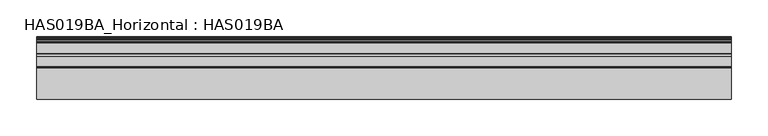
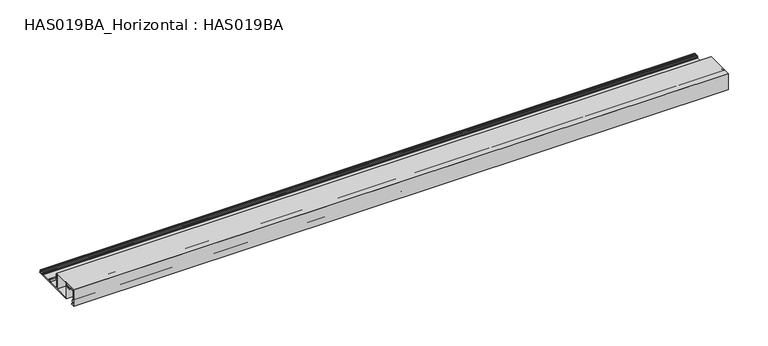
"""IFC4 building model written with IfcOpenShell, lengths in millimetres: beam geometry, HAS019BA_Horizontal : HAS019BA."""

import ifcopenshell
import ifcopenshell.guid

model = None  # the IFC model being written
_history = None  # IfcOwnerHistory: only IFC2X3 demands one
_inside = {}  # id of a spatial element -> (the spatial element, [elements in it])
_under = {}  # id of a project, library or spatial element -> (it, [spatial elements below it])
_declared = {}  # id of a project -> (the project, [libraries it declares])
_typed = {}  # id of a type object -> (the type object, [elements of that type])
_made_of = {}  # id of a material, layer set ... -> (it, [elements and type objects made of it])


def new_model(schema):
    """Start an empty IFC model of exactly this schema.

    Asked for "IFC4X3", IfcOpenShell would pick the latest addendum, in which some entities
    have other attributes; the version numbers below select the first issue.
    IFC2X3 requires an IfcOwnerHistory on every rooted entity: one is made here for all.
    """
    global model, _history
    if schema == "IFC4X3":
        model = ifcopenshell.file(schema_version=(4, 3, 0, 0))
    else:
        model = ifcopenshell.file(schema=schema)
    _inside.clear()
    _under.clear()
    _declared.clear()
    _typed.clear()
    _made_of.clear()
    _history = None
    if model.schema == "IFC2X3":
        org = make("IfcOrganization", Name="unknown")
        user = make(
            "IfcPersonAndOrganization",
            ThePerson=make("IfcPerson", FamilyName="unknown"),
            TheOrganization=org,
        )
        app = make(
            "IfcApplication",
            ApplicationDeveloper=org,
            Version="unknown",
            ApplicationFullName="unknown",
            ApplicationIdentifier="unknown",
        )
        _history = make(
            "IfcOwnerHistory",
            OwningUser=user,
            OwningApplication=app,
            ChangeAction="ADDED",
            CreationDate=0,
        )
    return model


def make(cls, **values):
    """One entity of the class cls with the attributes given. An attribute that is None is left unset."""
    return model.create_entity(
        cls, **{name: value for name, value in values.items() if value is not None}
    )


def rooted(cls, **values):
    """An entity with a GlobalId (a new one), such as an element, a storey or a relation."""
    return make(cls, GlobalId=ifcopenshell.guid.new(), OwnerHistory=_history, **values)


def si_unit(unit_type, name, prefix=None):
    """IfcSIUnit, for example si_unit("LENGTHUNIT", "METRE", prefix="MILLI")."""
    return make("IfcSIUnit", UnitType=unit_type, Prefix=prefix, Name=name)


def assignment(units):
    """IfcUnitAssignment: the units of a project."""
    return None if units is None else make("IfcUnitAssignment", Units=units)


def point(xyz):
    """IfcCartesianPoint."""
    return None if xyz is None else make("IfcCartesianPoint", Coordinates=xyz)


def direction(xyz):
    """IfcDirection."""
    return None if xyz is None else make("IfcDirection", DirectionRatios=xyz)


def frame(location, z_axis=None, x_axis=None):
    """IfcAxis2Placement3D, a coordinate frame: its origin and axes. An axis left out is left unset."""
    return make(
        "IfcAxis2Placement3D",
        Location=point(location),
        Axis=direction(z_axis),
        RefDirection=direction(x_axis),
    )


def frame_2d(location, x_axis=None):
    """IfcAxis2Placement2D, a coordinate frame in the plane: its origin and x axis."""
    return make(
        "IfcAxis2Placement2D", Location=point(location), RefDirection=direction(x_axis)
    )


def origin():
    """The frame at (0, 0, 0) with its axes left unset."""
    return frame((0.0, 0.0, 0.0))


def place(relative_to, where):
    """IfcLocalPlacement: puts the frame where relative to a parent placement (None: the world)."""
    return make(
        "IfcLocalPlacement", PlacementRelTo=relative_to, RelativePlacement=where
    )


def context(
    kind, dimensions, precision=None, world=None, true_north=None, identifier=None
):
    """IfcGeometricRepresentationContext, for example the 3D "Model" context."""
    return make(
        "IfcGeometricRepresentationContext",
        ContextIdentifier=identifier,
        ContextType=kind,
        CoordinateSpaceDimension=dimensions,
        Precision=precision,
        WorldCoordinateSystem=world,
        TrueNorth=true_north,
    )


def project(units=None, contexts=None):
    """IfcProject with its units and contexts."""
    return rooted(
        "IfcProject",
        Name="project",
        RepresentationContexts=contexts,
        UnitsInContext=assignment(units),
    )


def spatial(cls, under=None, at=None, **own):
    """A site, building, storey or space (cls), placed at a placement, below another one or the project."""
    s = rooted(cls, ObjectPlacement=at, **own)
    if under is not None:
        _under.setdefault(under.id(), (under, []))[1].append(s)
    return s


def polyline(points):
    """IfcPolyline through the points."""
    return make("IfcPolyline", Points=[point(p) for p in points])


def circle_curve(where, radius):
    """IfcCircle in the frame where."""
    return make("IfcCircle", Position=where, Radius=radius)


def trimmed(basis, trim1, trim2, sense, master):
    """IfcTrimmedCurve: the piece of a basis curve between two trims."""
    return make(
        "IfcTrimmedCurve",
        BasisCurve=basis,
        Trim1=trim1,
        Trim2=trim2,
        SenseAgreement=sense,
        MasterRepresentation=master,
    )


def segment(curve, same_sense, transition):
    """IfcCompositeCurveSegment."""
    return make(
        "IfcCompositeCurveSegment",
        Transition=transition,
        SameSense=same_sense,
        ParentCurve=curve,
    )


def composite_curve(segments, self_intersect=None):
    """IfcCompositeCurve: segments joined end to end."""
    return make("IfcCompositeCurve", Segments=segments, SelfIntersect=self_intersect)


def outline(outer, holes=None, kind="AREA"):
    """IfcArbitraryClosedProfileDef: a profile drawn as a closed curve; with holes, ...WithVoids."""
    if holes is None:
        return make("IfcArbitraryClosedProfileDef", ProfileType=kind, OuterCurve=outer)
    return make(
        "IfcArbitraryProfileDefWithVoids",
        ProfileType=kind,
        OuterCurve=outer,
        InnerCurves=holes,
    )


def extrude(swept, where, along, depth):
    """IfcExtrudedAreaSolid: the profile swept, set in the frame where, extruded along a direction by depth."""
    return make(
        "IfcExtrudedAreaSolid",
        SweptArea=swept,
        Position=where,
        ExtrudedDirection=direction(along),
        Depth=depth,
    )


def shape(context_of_items, identifier, shape_type, items):
    """IfcShapeRepresentation: the items that make up one representation, for example the "Body"."""
    return make(
        "IfcShapeRepresentation",
        ContextOfItems=context_of_items,
        RepresentationIdentifier=identifier,
        RepresentationType=shape_type,
        Items=items,
    )


def source(mapping_origin, context_of_items, identifier, shape_type, items):
    """IfcRepresentationMap: a shape defined once, which mapped items show again and again."""
    return make(
        "IfcRepresentationMap",
        MappingOrigin=mapping_origin,
        MappedRepresentation=shape(context_of_items, identifier, shape_type, items),
    )


def transform(
    local_origin,
    x_axis=None,
    y_axis=None,
    z_axis=None,
    scale=None,
    scale2=None,
    scale3=None,
    uniform=True,
):
    """IfcCartesianTransformationOperator3D, or its non-uniform kind. x_axis, y_axis, z_axis: its Axis1, 2, 3."""
    if uniform:
        return make(
            "IfcCartesianTransformationOperator3D",
            Axis1=direction(x_axis),
            Axis2=direction(y_axis),
            LocalOrigin=point(local_origin),
            Scale=scale,
            Axis3=direction(z_axis),
        )
    return make(
        "IfcCartesianTransformationOperator3DnonUniform",
        Axis1=direction(x_axis),
        Axis2=direction(y_axis),
        LocalOrigin=point(local_origin),
        Scale=scale,
        Axis3=direction(z_axis),
        Scale2=scale2,
        Scale3=scale3,
    )


def mapped(mapping_source, mapping_target):
    """IfcMappedItem: shows the shape of a source again, moved by a transform."""
    return make(
        "IfcMappedItem", MappingSource=mapping_source, MappingTarget=mapping_target
    )


def made_of(thing, what):
    """Note that an element or type object is made of a material, layer set ...; save() writes the relation."""
    if what is not None:
        _made_of.setdefault(what.id(), (what, []))[1].append(thing)
    return thing


def element(
    cls,
    number,
    at=None,
    inside=None,
    cuts=None,
    type_object=None,
    material=None,
    context=None,
    identifier="Body",
    shape_type=None,
    held_by="IfcProductDefinitionShape",
    body=None,
    shapes=None,
    **own,
):
    """One element of the class cls, such as IfcWall. Its Tag is "e" and its number.

    at: its placement. inside: the storey or other place that contains it. cuts: it is an
    opening in that element (IfcRelVoidsElement). A single representation is given by context,
    identifier, shape_type and body (its items); several are given by shapes. held_by: the class
    of the entity that holds the representations. save() writes the other relations.
    """
    e = rooted(cls, Tag="e%d" % number, ObjectPlacement=at, **own)
    if body is not None:
        shapes = [shape(context, identifier, shape_type, body)]
    if shapes is not None:
        e.Representation = make(held_by, Representations=shapes)
    if inside is not None:
        _inside.setdefault(inside.id(), (inside, []))[1].append(e)
    if cuts is not None:
        rooted(
            "IfcRelVoidsElement", RelatingBuildingElement=cuts, RelatedOpeningElement=e
        )
    if type_object is not None:
        _typed.setdefault(type_object.id(), (type_object, []))[1].append(e)
    return made_of(e, material)


def aggregate(whole, parts):
    """IfcRelAggregates: a whole, such as a stair, and the parts it consists of."""
    return rooted("IfcRelAggregates", RelatingObject=whole, RelatedObjects=parts)


def save(model, path):
    """Write the relations noted so far, then the file.

    IfcRelAggregates (storeys below a building ...), IfcRelContainedInSpatialStructure (elements
    in a storey), IfcRelDefinesByType, IfcRelAssociatesMaterial and IfcRelDeclares: one each for
    every whole, place, type object, material and project.
    """
    for whole, parts in _under.values():
        aggregate(whole, parts)
    for where, things in _inside.values():
        rooted(
            "IfcRelContainedInSpatialStructure",
            RelatedElements=things,
            RelatingStructure=where,
        )
    for kind, things in _typed.values():
        rooted("IfcRelDefinesByType", RelatedObjects=things, RelatingType=kind)
    for what, things in _made_of.values():
        rooted("IfcRelAssociatesMaterial", RelatedObjects=things, RelatingMaterial=what)
    for by, libraries in _declared.values():
        rooted("IfcRelDeclares", RelatingContext=by, RelatedDefinitions=libraries)
    model.write(path)


def has019ba_horizontal_has019ba_3d3e7569(model_context):
    return source(origin(), model_context, "Body", "SweptSolid", [
        extrude(outline(composite_curve([segment(polyline([(34.8878502, 2.2914045), (34.4108764, 3.1987884)]), True, "CONTINUOUS"), segment(trimmed(circle_curve(frame_2d((35.1970083, 3.362855)), 0.8030699), [point((34.4108764, 3.1987884))], [point((34.6291522, 3.9307111))], False, "CARTESIAN"), True, "CONTINUOUS"), segment(polyline([(34.6291522, 3.9307111), (35.567052, 4.868611), (37.5798426, 4.868611)]), True, "CONTINUOUS"), segment(trimmed(circle_curve(frame_2d((37.5798426, 4.5303283)), 0.3382827), [point((37.5798426, 4.868611))], [point((37.8202, 4.2922873))], False, "CARTESIAN"), True, "CONTINUOUS"), segment(trimmed(circle_curve(frame_2d((38.9613982, 3.1620875)), 1.6061397), [point((37.8202, 4.2922873))], [point((40.1369193, 4.256544))], True, "CARTESIAN"), True, "CONTINUOUS"), segment(trimmed(circle_curve(frame_2d((40.4033411, 4.5045932)), 0.3640178), [point((40.1369193, 4.256544))], [point((40.4033411, 4.868611))], False, "CARTESIAN"), True, "CONTINUOUS"), segment(polyline([(40.4033411, 4.868611), (41.563642, 4.868611)]), True, "CONTINUOUS"), segment(trimmed(circle_curve(frame_2d((38.9613982, 3.1620875)), 3.1118957), [point((41.563642, 4.868611))], [point((41.9177896, 2.1906738))], False, "CARTESIAN"), True, "CONTINUOUS"), segment(trimmed(circle_curve(frame_2d((42.3946269, 2.0339941)), 0.5019187), [point((41.9177896, 2.1906738))], [point((42.2981386, 1.5414372))], True, "CARTESIAN"), True, "CONTINUOUS"), segment(trimmed(circle_curve(frame_2d((42.1485817, 0.7779739)), 0.7779739), [point((42.2981386, 1.5414372))], [point((42.1485817, 0.0))], False, "CARTESIAN"), True, "CONTINUOUS"), segment(polyline([(42.1485817, 0.0), (-23.9792015, 0.0), (-23.9792015, 23.6448196), (-26.2756877, 23.6448196)]), True, "CONTINUOUS"), segment(trimmed(circle_curve(frame_2d((-26.2756877, 23.2432753)), 0.4015444), [point((-26.2756877, 23.6448196))], [point((-26.6384869, 23.0711864))], True, "CARTESIAN"), True, "CONTINUOUS"), segment(trimmed(circle_curve(frame_2d((-29.4501149, 21.7375287)), 3.1118957), [point((-26.6384869, 23.0711864))], [point((-27.1154358, 19.6800623))], False, "CARTESIAN"), True, "CONTINUOUS"), segment(trimmed(circle_curve(frame_2d((-27.6802775, 20.1778364)), 0.752878), [point((-27.1154358, 19.6800623))], [point((-28.2451192, 20.6756106))], False, "CARTESIAN"), True, "CONTINUOUS"), segment(trimmed(circle_curve(frame_2d((-29.4501149, 21.7375287)), 1.6061397), [point((-28.2451192, 20.6756106))], [point((-29.4086423, 23.3431329))], True, "CARTESIAN"), True, "CONTINUOUS"), segment(trimmed(circle_curve(frame_2d((-29.4501149, 21.7375287)), 1.6061397), [point((-29.4086423, 23.3431329))], [point((-30.6551106, 20.6756106))], True, "CARTESIAN"), True, "CONTINUOUS"), segment(trimmed(circle_curve(frame_2d((-31.2199523, 20.1778364)), 0.752878), [point((-30.6551106, 20.6756106))], [point((-31.784794, 19.6800623))], False, "CARTESIAN"), True, "CONTINUOUS"), segment(trimmed(circle_curve(frame_2d((-29.4501149, 21.7375287)), 3.1118957), [point((-31.784794, 19.6800623))], [point((-32.2617574, 23.0711558))], False, "CARTESIAN"), True, "CONTINUOUS"), segment(trimmed(circle_curve(frame_2d((-32.6245803, 23.2432511)), 0.4015685), [point((-32.2617574, 23.0711558))], [point((-32.6245803, 23.6448196))], True, "CARTESIAN"), True, "CONTINUOUS"), segment(polyline([(-32.6245803, 23.6448196), (-38.6352263, 23.6448196), (-38.6352263, 22.6409823)]), True, "CONTINUOUS"), segment(trimmed(circle_curve(frame_2d((-39.137145, 22.6409823)), 0.5019187), [point((-38.6352263, 22.6409823))], [point((-39.6390636, 22.6409823))], False, "CARTESIAN"), True, "CONTINUOUS"), segment(polyline([(-39.6390636, 22.6409823), (-39.6390636, 23.6448196), (-41.1448196, 23.6448196), (-41.1448196, 5.6716808), (-39.6390636, 5.6716808), (-39.6390636, 6.6755182)]), True, "CONTINUOUS"), segment(trimmed(circle_curve(frame_2d((-39.137145, 6.6755182)), 0.5019187), [point((-39.6390636, 6.6755182))], [point((-38.6352263, 6.6755182))], False, "CARTESIAN"), True, "CONTINUOUS"), segment(polyline([(-38.6352263, 6.6755182), (-38.6352263, 5.4709134)]), True, "CONTINUOUS"), segment(trimmed(circle_curve(frame_2d((-39.4382962, 5.4709134)), 0.8030699), [point((-38.6352263, 5.4709134))], [point((-39.4382962, 4.6678435))], False, "CARTESIAN"), True, "CONTINUOUS"), segment(polyline([(-39.4382962, 4.6678435), (-41.1448196, 4.6678435), (-41.1448196, 1.4053722), (-38.1834995, 1.4053722)]), True, "CONTINUOUS"), segment(trimmed(circle_curve(frame_2d((-38.1834995, 0.7026861)), 0.7026861), [point((-38.1834995, 1.4053722))], [point((-38.1834995, 0.0))], False, "CARTESIAN"), True, "CONTINUOUS"), segment(polyline([(-38.1834995, 0.0), (-42.5, 0.0), (-42.5, 25.0), (-0.238449, 25.0), (-0.238449, 22.6409823), (1.4680745, 22.6409823)]), True, "CONTINUOUS"), segment(trimmed(circle_curve(frame_2d((1.4680745, 22.1390636)), 0.5019187), [point((1.4680745, 22.6409823))], [point((1.9699931, 22.1390636))], False, "CARTESIAN"), True, "CONTINUOUS"), segment(polyline([(1.9699931, 22.1390636), (1.9699931, 20.5336914)]), True, "CONTINUOUS"), segment(trimmed(circle_curve(frame_2d((1.4680745, 20.5336914)), 0.5019187), [point((1.9699931, 20.5336914))], [point((0.9661558, 20.5336914))], False, "CARTESIAN"), True, "CONTINUOUS"), segment(polyline([(0.9661558, 20.5336914), (0.9661558, 21.3359938), (-0.4392164, 21.3359938), (-0.4392164, 16.0112052), (0.9661558, 16.0112052), (0.9661558, 16.8135076)]), True, "CONTINUOUS"), segment(trimmed(circle_curve(frame_2d((1.4680745, 16.8135076)), 0.5019187), [point((0.9661558, 16.8135076))], [point((1.9699931, 16.8135076))], False, "CARTESIAN"), True, "CONTINUOUS"), segment(polyline([(1.9699931, 16.8135076), (1.9699931, 15.2081353)]), True, "CONTINUOUS"), segment(trimmed(circle_curve(frame_2d((1.4680745, 15.2081353)), 0.5019187), [point((1.9699931, 15.2081353))], [point((1.4680745, 14.7062167))], False, "CARTESIAN"), True, "CONTINUOUS"), segment(polyline([(1.4680745, 14.7062167), (-0.238449, 14.7062167), (-0.238449, 1.5559478), (16.0237156, 1.5559478), (16.0237156, 4.868611), (18.7340763, 4.868611)]), True, "CONTINUOUS"), segment(trimmed(circle_curve(frame_2d((18.7340763, 4.2663086)), 0.6023024), [point((18.7340763, 4.868611))], [point((19.0108765, 3.7313788))], False, "CARTESIAN"), True, "CONTINUOUS"), segment(polyline([(19.0108765, 3.7313788), (17.3287041, 2.8609364), (17.3287041, 1.5559478), (34.4435728, 1.5559478)]), True, "CONTINUOUS"), segment(trimmed(circle_curve(frame_2d((34.4435728, 2.0578665)), 0.5019187), [point((34.4435728, 1.5559478))], [point((34.8878502, 2.2914045))], True, "CARTESIAN"), True, "CONTINUOUS")], self_intersect=False), holes=[polyline([(-1.7943968, 23.6448196), (-22.4232537, 23.6448196), (-22.4232537, 1.5559478), (-1.7943968, 1.5559478), (-1.7943968, 23.6448196)])]), frame((-474.9040671, 0.0, 0.0), z_axis=(1.0, 0.0, 0.0), x_axis=(0.0, 1.0, 0.0)), (0.0, 0.0, 1.0), 949.8081342),
    ])


if __name__ == "__main__":
    model = new_model("IFC4")
    model_context = context("Model", 3, world=origin())
    ifc_project = project(units=[si_unit("LENGTHUNIT", "METRE", prefix="MILLI")], contexts=[model_context])
    site = spatial("IfcSite", under=ifc_project)
    building = spatial("IfcBuilding", under=site)
    placement = place(None, origin())
    has019ba_horizontal_has019ba_shape = has019ba_horizontal_has019ba_3d3e7569(model_context)
    element("IfcBeam", 1, ObjectType="HAS019BA_Horizontal : HAS019BA", at=placement, inside=building, context=model_context, shape_type="MappedRepresentation", body=[
        mapped(has019ba_horizontal_has019ba_shape, transform((0.0, 0.0, 0.0), x_axis=(1.0, 0.0, 0.0), y_axis=(0.0, 1.0, 0.0), z_axis=(0.0, 0.0, 1.0))),
    ])
    save(model, "model.ifc")
